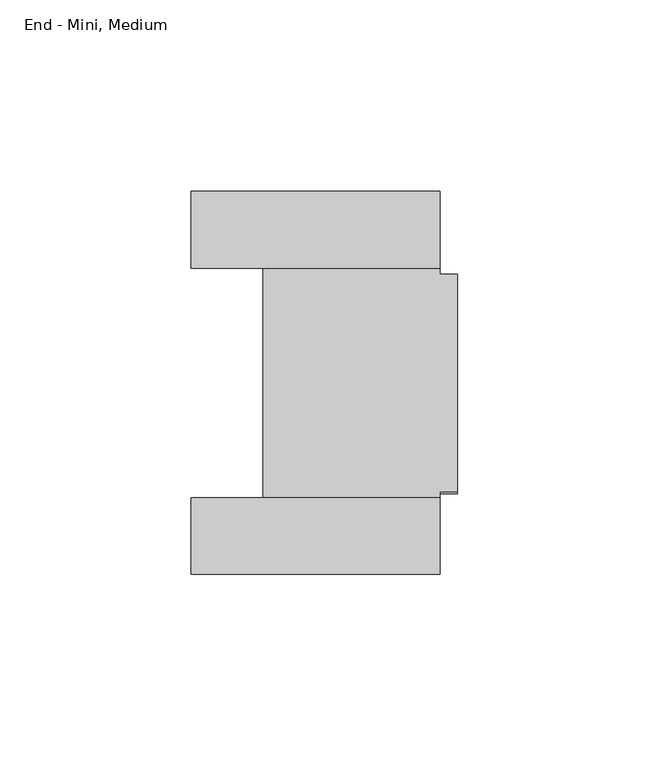
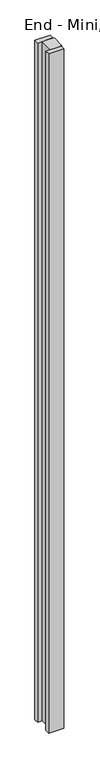
"""IFC4 building model written with IfcOpenShell, lengths in millimetres: furniture geometry, End - Mini, Medium."""

from ifc_helpers import new_model, si_unit, origin, origin_with_axes, place, context, project, spatial, polyline, outline, extrude, faceted_brep, source, transform, mapped, element, save


def end_mini_medium_89002bbd(model_context):
    return source(origin(), model_context, "Body", "SolidModel", [
        extrude(outline(polyline([(-69.4944, -2236.0001), (-4.4958, -2236.0001), (-4.4958, -2255.9899), (-69.4944, -2255.9899), (-69.4944, -2236.0001)])), origin_with_axes(), (0.0, 0.0, 1.0), 3048.0),
        extrude(outline(polyline([(-4.4958, -2335.9999), (-69.4944, -2335.9999), (-69.4944, -2316.0101), (-4.4958, -2316.0101), (-4.4958, -2335.9999)])), origin_with_axes(), (0.0, 0.0, 1.0), 3048.0),
        faceted_brep([(-4.4958, -2255.9899, 3048.0), (-50.8, -2255.9899, 3048.0), (-50.8, -2316.0101, 3048.0), (-4.4958, -2316.0101, 3048.0), (-4.4958, -2314.448, 3048.0), (0.0, -2314.448, 3048.0), (0.0, -2257.552, 3048.0), (-4.4958, -2257.552, 3048.0), (-4.4958, -2316.0101, 0.0), (-50.8, -2316.0101, 0.0), (-50.8, -2255.9899, 0.0), (-4.4958, -2255.9899, 0.0), (-4.4958, -2257.552, 0.0), (0.0, -2257.552, 0.0), (0.0, -2314.448, 0.0), (-4.4958, -2314.448, 0.0), (-4.4958, -2257.552, 2992.882), (-4.4958, -2260.854, 2992.882), (-4.4958, -2260.854, 55.118), (-4.4958, -2257.552, 55.118), (-4.4958, -2314.448, 55.118), (-4.4958, -2311.146, 55.118), (-4.4958, -2311.146, 2992.882), (-4.4958, -2314.448, 2992.882), (0.0, -2260.854, 55.118), (0.0, -2260.854, 2992.882), (0.0, -2257.552, 2992.882), (0.0, -2314.448, 2992.882), (0.0, -2311.146, 2992.882), (0.0, -2311.146, 55.118), (0.0, -2314.448, 55.118), (0.0, -2257.552, 55.118)], [[[0, 1, 2, 3, 4, 5, 6, 7]], [[8, 9, 10, 11, 12, 13, 14, 15]], [[1, 0, 11, 10]], [[2, 1, 10, 9]], [[3, 2, 9, 8]], [[11, 0, 7, 16, 17, 18, 19, 12]], [[3, 8, 15, 20, 21, 22, 23, 4]], [[24, 25, 26, 6, 5, 27, 28, 29, 30, 14, 13, 31]], [[25, 24, 18, 17]], [[26, 25, 17, 16]], [[6, 26, 16, 7]], [[27, 5, 4, 23]], [[28, 27, 23, 22]], [[29, 28, 22, 21]], [[30, 29, 21, 20]], [[14, 30, 20, 15]], [[31, 13, 12, 19]], [[24, 31, 19, 18]]]),
    ])


if __name__ == "__main__":
    model = new_model("IFC4")
    model_context = context("Model", 3, world=origin())
    ifc_project = project(units=[si_unit("LENGTHUNIT", "METRE", prefix="MILLI")], contexts=[model_context])
    site = spatial("IfcSite", under=ifc_project)
    building = spatial("IfcBuilding", under=site)
    placement = place(None, origin())
    end_mini_medium_shape = end_mini_medium_89002bbd(model_context)
    element("IfcFurniture", 1, ObjectType="End - Mini, Medium", at=placement, inside=building, context=model_context, shape_type="MappedRepresentation", body=[
        mapped(end_mini_medium_shape, transform((0.0, 0.0, 0.0), x_axis=(1.0, 0.0, 0.0), y_axis=(0.0, 1.0, 0.0), z_axis=(0.0, 0.0, 1.0))),
    ])
    save(model, "model.ifc")
